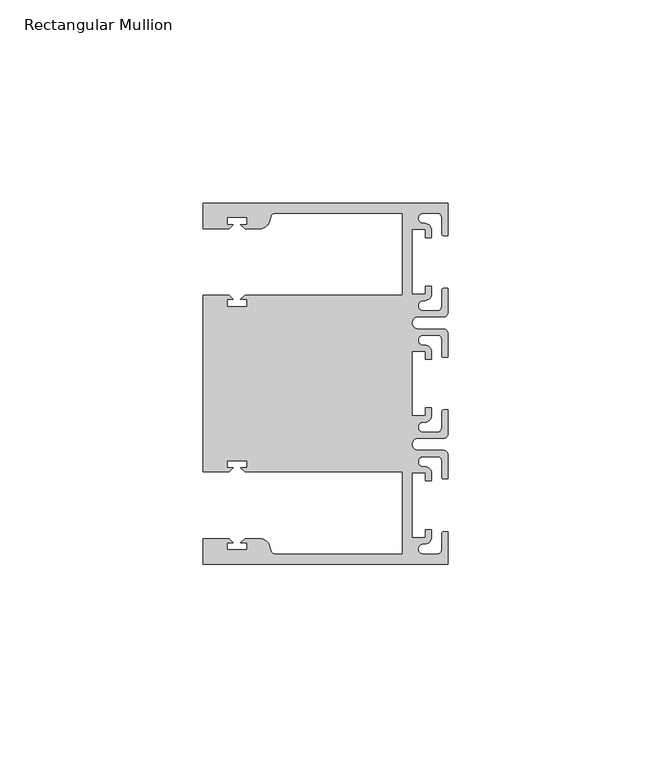
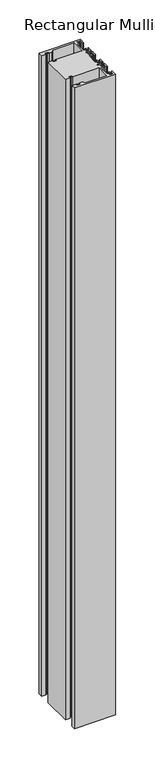
"""IFC4 building model written with IfcOpenShell, lengths in millimetres: member geometry, Rectangular Mullion."""

from ifc_helpers import new_model, si_unit, point, frame, frame_2d, origin, place, context, project, spatial, polyline, circle_curve, trimmed, segment, composite_curve, outline, extrude, source, transform, mapped, element, save


def rectangular_mullion_5d5971e2(model_context):
    return source(origin(), model_context, "Body", "SweptSolid", [
        extrude(outline(composite_curve([segment(polyline([(0.0, 44.45), (0.0, 36.4500318), (-1.0, 36.4500318)]), True, "CONTINUOUS"), segment(trimmed(circle_curve(frame_2d((-1.0, 36.9500318)), 0.5), [point((-1.0, 36.4500318))], [point((-1.5, 36.9500318))], False, "CARTESIAN"), True, "CONTINUOUS"), segment(polyline([(-1.5, 36.9500318), (-1.5, 40.95)]), True, "CONTINUOUS"), segment(trimmed(circle_curve(frame_2d((-2.5, 40.95)), 1.0), [point((-1.5, 40.95))], [point((-2.5, 41.95))], True, "CARTESIAN"), True, "CONTINUOUS"), segment(polyline([(-2.5, 41.95), (-6.0499986, 41.95)]), True, "CONTINUOUS"), segment(trimmed(circle_curve(frame_2d((-6.0499986, 40.6999986)), 1.2500014), [point((-6.0499986, 41.95))], [point((-5.9027291, 39.4587029))], True, "CARTESIAN"), True, "CONTINUOUS"), segment(trimmed(circle_curve(frame_2d((-5.7186029, 37.7499972)), 1.7185975), [point((-5.9027291, 39.4587029))], [point((-4.0000054, 37.7499972))], False, "CARTESIAN"), True, "CONTINUOUS"), segment(polyline([(-4.0000054, 37.7499972), (-4.0000054, 35.9500318), (-5.5, 35.9500318), (-5.5, 37.9499972), (-8.8585786, 37.9499972), (-8.8585786, 21.9499956), (-5.5, 21.9499956), (-5.5, 23.9499611), (-3.9999946, 23.9499611), (-3.9999946, 22.0272972)]), True, "CONTINUOUS"), segment(trimmed(circle_curve(frame_2d((-5.7543344, 22.1865598)), 1.761554), [point((-3.9999946, 22.0272972))], [point((-6.0499986, 20.4499956))], False, "CARTESIAN"), True, "CONTINUOUS"), segment(trimmed(circle_curve(frame_2d((-6.0499986, 19.1999942)), 1.2500014), [point((-6.0499986, 20.4499956))], [point((-6.0499986, 17.9499929))], True, "CARTESIAN"), True, "CONTINUOUS"), segment(polyline([(-6.0499986, 17.9499929), (-2.5, 17.9499929)]), True, "CONTINUOUS"), segment(trimmed(circle_curve(frame_2d((-2.5, 18.9499929)), 1.0), [point((-2.5, 17.9499929))], [point((-1.5, 18.9499929))], True, "CARTESIAN"), True, "CONTINUOUS"), segment(polyline([(-1.5, 18.9499929), (-1.5, 22.9499611)]), True, "CONTINUOUS"), segment(trimmed(circle_curve(frame_2d((-1.0, 22.9499611)), 0.5), [point((-1.5, 22.9499611))], [point((-1.0, 23.4499611))], False, "CARTESIAN"), True, "CONTINUOUS"), segment(polyline([(-1.0, 23.4499611), (0.0, 23.4499611), (0.0, 17.4499929)]), True, "CONTINUOUS"), segment(trimmed(circle_curve(frame_2d((-1.0, 17.4499929)), 1.0), [point((0.0, 17.4499929))], [point((-1.0, 16.4499929))], False, "CARTESIAN"), True, "CONTINUOUS"), segment(polyline([(-1.0, 16.4499929), (-7.3, 16.4499929)]), True, "CONTINUOUS"), segment(trimmed(circle_curve(frame_2d((-7.3, 14.9499929)), 1.5), [point((-7.3, 16.4499929))], [point((-7.3046244, 13.45))], True, "CARTESIAN"), True, "CONTINUOUS"), segment(polyline([(-7.3046244, 13.45), (-1.0, 13.45)]), True, "CONTINUOUS"), segment(trimmed(circle_curve(frame_2d((-1.0, 12.45)), 1.0), [point((-1.0, 13.45))], [point((0.0, 12.45))], False, "CARTESIAN"), True, "CONTINUOUS"), segment(polyline([(0.0, 12.45), (0.0, 6.4500354), (-0.9999964, 6.4500354)]), True, "CONTINUOUS"), segment(trimmed(circle_curve(frame_2d((-0.9999964, 6.9500354)), 0.5), [point((-0.9999964, 6.4500354))], [point((-1.4999964, 6.9500354))], False, "CARTESIAN"), True, "CONTINUOUS"), segment(polyline([(-1.4999964, 6.9500354), (-1.4999964, 10.95)]), True, "CONTINUOUS"), segment(trimmed(circle_curve(frame_2d((-2.4999964, 10.95)), 1.0), [point((-1.4999964, 10.95))], [point((-2.4999964, 11.95))], True, "CARTESIAN"), True, "CONTINUOUS"), segment(polyline([(-2.4999964, 11.95), (-6.0499986, 11.95)]), True, "CONTINUOUS"), segment(trimmed(circle_curve(frame_2d((-6.0499986, 10.6999986)), 1.2500014), [point((-6.0499986, 11.95))], [point((-6.0499986, 9.4499972))], True, "CARTESIAN"), True, "CONTINUOUS"), segment(trimmed(circle_curve(frame_2d((-5.7298824, 7.7499972)), 1.729877), [point((-6.0499986, 9.4499972))], [point((-4.0000054, 7.7499972))], False, "CARTESIAN"), True, "CONTINUOUS"), segment(polyline([(-4.0000054, 7.7499972), (-4.0000054, 5.9500318), (-5.5, 5.9500318), (-5.5, 7.9499972), (-8.8, 7.9499972), (-8.8, -7.9499972), (-5.5, -7.9499972), (-5.5, -5.9500318), (-4.0000054, -5.9500318), (-4.0000054, -7.7499972)]), True, "CONTINUOUS"), segment(trimmed(circle_curve(frame_2d((-5.7298824, -7.7499972)), 1.729877), [point((-4.0000054, -7.7499972))], [point((-6.0499986, -9.4499972))], False, "CARTESIAN"), True, "CONTINUOUS"), segment(trimmed(circle_curve(frame_2d((-6.0499986, -10.6999986)), 1.2500014), [point((-6.0499986, -9.4499972))], [point((-6.0499986, -11.95))], True, "CARTESIAN"), True, "CONTINUOUS"), segment(polyline([(-6.0499986, -11.95), (-2.4999964, -11.95)]), True, "CONTINUOUS"), segment(trimmed(circle_curve(frame_2d((-2.4999964, -10.95)), 1.0), [point((-2.4999964, -11.95))], [point((-1.4999964, -10.95))], True, "CARTESIAN"), True, "CONTINUOUS"), segment(polyline([(-1.4999964, -10.95), (-1.4999964, -6.9500354)]), True, "CONTINUOUS"), segment(trimmed(circle_curve(frame_2d((-0.9999964, -6.9500354)), 0.5), [point((-1.4999964, -6.9500354))], [point((-0.9999964, -6.4500354))], False, "CARTESIAN"), True, "CONTINUOUS"), segment(polyline([(-0.9999964, -6.4500354), (0.0, -6.4500354), (0.0, -12.45)]), True, "CONTINUOUS"), segment(trimmed(circle_curve(frame_2d((-1.0, -12.45)), 1.0), [point((0.0, -12.45))], [point((-1.0, -13.45))], False, "CARTESIAN"), True, "CONTINUOUS"), segment(polyline([(-1.0, -13.45), (-7.3046244, -13.45)]), True, "CONTINUOUS"), segment(trimmed(circle_curve(frame_2d((-7.3, -14.9499929)), 1.5), [point((-7.3046244, -13.45))], [point((-7.3, -16.4499929))], True, "CARTESIAN"), True, "CONTINUOUS"), segment(polyline([(-7.3, -16.4499929), (-1.0, -16.4499929)]), True, "CONTINUOUS"), segment(trimmed(circle_curve(frame_2d((-1.0, -17.4499929)), 1.0), [point((-1.0, -16.4499929))], [point((0.0, -17.4499929))], False, "CARTESIAN"), True, "CONTINUOUS"), segment(polyline([(0.0, -17.4499929), (0.0, -23.4499611), (-1.0, -23.4499611)]), True, "CONTINUOUS"), segment(trimmed(circle_curve(frame_2d((-1.0, -22.9499611)), 0.5), [point((-1.0, -23.4499611))], [point((-1.5, -22.9499611))], False, "CARTESIAN"), True, "CONTINUOUS"), segment(polyline([(-1.5, -22.9499611), (-1.5, -18.9499929)]), True, "CONTINUOUS"), segment(trimmed(circle_curve(frame_2d((-2.5, -18.9499929)), 1.0), [point((-1.5, -18.9499929))], [point((-2.5, -17.9499929))], True, "CARTESIAN"), True, "CONTINUOUS"), segment(polyline([(-2.5, -17.9499929), (-6.0499986, -17.9499929)]), True, "CONTINUOUS"), segment(trimmed(circle_curve(frame_2d((-6.0499986, -19.1999942)), 1.2500014), [point((-6.0499986, -17.9499929))], [point((-6.0499986, -20.4499956))], True, "CARTESIAN"), True, "CONTINUOUS"), segment(trimmed(circle_curve(frame_2d((-5.7543344, -22.1865598)), 1.761554), [point((-6.0499986, -20.4499956))], [point((-3.9999946, -22.0272972))], False, "CARTESIAN"), True, "CONTINUOUS"), segment(polyline([(-3.9999946, -22.0272972), (-3.9999946, -23.9499611), (-5.5, -23.9499611), (-5.5, -21.9499956), (-8.8585786, -21.9499956), (-8.8585786, -37.9499972), (-5.5, -37.9499972), (-5.5, -35.9500318), (-4.0000054, -35.9500318), (-4.0000054, -37.7499972)]), True, "CONTINUOUS"), segment(trimmed(circle_curve(frame_2d((-5.7186029, -37.7499972)), 1.7185975), [point((-4.0000054, -37.7499972))], [point((-5.9027291, -39.4587029))], False, "CARTESIAN"), True, "CONTINUOUS"), segment(trimmed(circle_curve(frame_2d((-6.0499986, -40.6999986)), 1.2500014), [point((-5.9027291, -39.4587029))], [point((-6.0499986, -41.95))], True, "CARTESIAN"), True, "CONTINUOUS"), segment(polyline([(-6.0499986, -41.95), (-2.5, -41.95)]), True, "CONTINUOUS"), segment(trimmed(circle_curve(frame_2d((-2.5, -40.95)), 1.0), [point((-2.5, -41.95))], [point((-1.5, -40.95))], True, "CARTESIAN"), True, "CONTINUOUS"), segment(polyline([(-1.5, -40.95), (-1.5, -36.9500318)]), True, "CONTINUOUS"), segment(trimmed(circle_curve(frame_2d((-1.0, -36.9500318)), 0.5), [point((-1.5, -36.9500318))], [point((-1.0, -36.4500318))], False, "CARTESIAN"), True, "CONTINUOUS"), segment(polyline([(-1.0, -36.4500318), (0.0, -36.4500318), (0.0, -44.45), (-60.325, -44.45), (-60.325, -38.1499897), (-53.8507531, -38.1499897), (-52.8507405, -39.1500023), (-54.4249778, -39.1500023), (-54.4249778, -40.9498819), (-49.4249831, -40.9498819), (-49.4249831, -39.1500023), (-50.999256, -39.1500023), (-49.9992503, -38.1499966), (-46.3137853, -38.1499966)]), True, "CONTINUOUS"), segment(trimmed(circle_curve(frame_2d((-46.3137853, -40.6499966)), 2.5), [point((-46.3137853, -38.1499966))], [point((-43.8989707, -40.002949))], False, "CARTESIAN"), True, "CONTINUOUS"), segment(polyline([(-43.8989707, -40.002949), (-43.5758588, -41.2088192)]), True, "CONTINUOUS"), segment(trimmed(circle_curve(frame_2d((-42.6099329, -40.9500001)), 1.0), [point((-43.5758588, -41.2088192))], [point((-42.6099329, -41.9500001))], True, "CARTESIAN"), True, "CONTINUOUS"), segment(polyline([(-42.6099329, -41.9500001), (-11.1125, -41.95), (-11.1125, -21.7499959), (-49.9992434, -21.7499959), (-50.999256, -20.7499834), (-49.4250186, -20.7499834), (-49.4250186, -18.949936), (-54.4250134, -18.949936), (-54.4250134, -20.7499834), (-52.8507405, -20.7499834), (-53.8507562, -21.749999), (-60.325, -21.749999), (-60.325, 21.749999), (-53.8507562, 21.749999), (-52.8507405, 20.7499834), (-54.4250134, 20.7499834), (-54.4250134, 18.949936), (-49.4250186, 18.949936), (-49.4250186, 20.7499834), (-50.999256, 20.7499834), (-49.9992434, 21.7499959), (-11.1124977, 21.7499959), (-11.1124977, 41.95), (-42.6099329, 41.95)]), True, "CONTINUOUS"), segment(trimmed(circle_curve(frame_2d((-42.6099329, 40.9500001)), 1.0), [point((-42.6099329, 41.95))], [point((-43.5758588, 41.2088192))], True, "CARTESIAN"), True, "CONTINUOUS"), segment(polyline([(-43.5758588, 41.2088192), (-43.8989707, 40.002949)]), True, "CONTINUOUS"), segment(trimmed(circle_curve(frame_2d((-46.3137853, 40.6499966)), 2.5), [point((-43.8989707, 40.002949))], [point((-46.3137853, 38.1499966))], False, "CARTESIAN"), True, "CONTINUOUS"), segment(polyline([(-46.3137853, 38.1499966), (-49.9992503, 38.1499966), (-50.999256, 39.1500023), (-49.4249831, 39.1500023), (-49.4249831, 40.9498819), (-54.4249778, 40.9498819), (-54.4249778, 39.1500023), (-52.8507405, 39.1500023), (-53.8507531, 38.1499897), (-60.3249977, 38.1499897), (-60.3249977, 44.45), (0.0, 44.45)]), True, "CONTINUOUS")], self_intersect=False)), frame((0.0, 0.0, -990.6), z_axis=(0.0, 0.0, 1.0), x_axis=(1.0, 0.0, 0.0)), (0.0, 0.0, 1.0), 990.6),
    ])


if __name__ == "__main__":
    model = new_model("IFC4")
    model_context = context("Model", 3, world=origin())
    ifc_project = project(units=[si_unit("LENGTHUNIT", "METRE", prefix="MILLI")], contexts=[model_context])
    site = spatial("IfcSite", under=ifc_project)
    building = spatial("IfcBuilding", under=site)
    placement = place(None, origin())
    rectangular_mullion_shape = rectangular_mullion_5d5971e2(model_context)
    element("IfcMember", 1, ObjectType="Rectangular Mullion", at=placement, inside=building, context=model_context, shape_type="MappedRepresentation", body=[
        mapped(rectangular_mullion_shape, transform((0.0, 0.0, 0.0), x_axis=(1.0, 0.0, 0.0), y_axis=(0.0, 1.0, 0.0), z_axis=(0.0, 0.0, 1.0))),
    ])
    save(model, "model.ifc")
